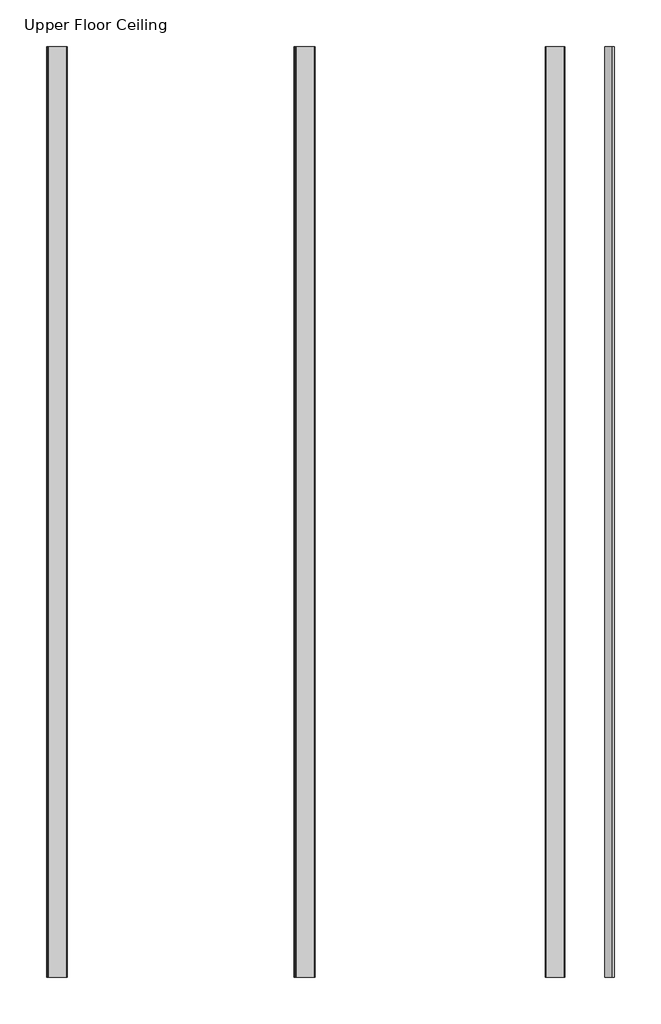
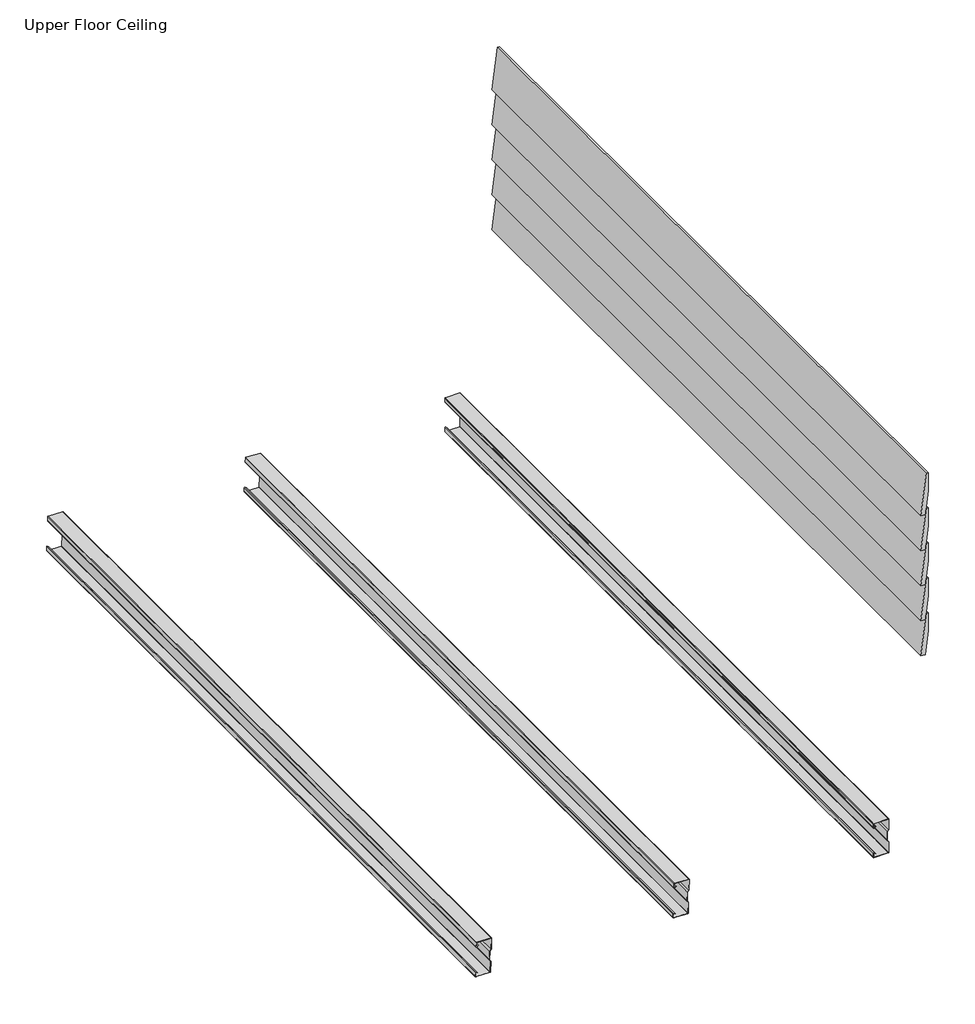
# One storey: 8 beams.
"""IFC4 building model written with IfcOpenShell, lengths in millimetres."""

import ifcopenshell
import ifcopenshell.guid

model = None  # the IFC model being written
_history = None  # IfcOwnerHistory: only IFC2X3 demands one
_inside = {}  # id of a spatial element -> (the spatial element, [elements in it])
_under = {}  # id of a project, library or spatial element -> (it, [spatial elements below it])
_declared = {}  # id of a project -> (the project, [libraries it declares])
_typed = {}  # id of a type object -> (the type object, [elements of that type])
_made_of = {}  # id of a material, layer set ... -> (it, [elements and type objects made of it])


def new_model(schema):
    """Start an empty IFC model of exactly this schema.

    Asked for "IFC4X3", IfcOpenShell would pick the latest addendum, in which some entities
    have other attributes; the version numbers below select the first issue.
    IFC2X3 requires an IfcOwnerHistory on every rooted entity: one is made here for all.
    """
    global model, _history
    if schema == "IFC4X3":
        model = ifcopenshell.file(schema_version=(4, 3, 0, 0))
    else:
        model = ifcopenshell.file(schema=schema)
    _inside.clear()
    _under.clear()
    _declared.clear()
    _typed.clear()
    _made_of.clear()
    _history = None
    if model.schema == "IFC2X3":
        org = make("IfcOrganization", Name="unknown")
        user = make(
            "IfcPersonAndOrganization",
            ThePerson=make("IfcPerson", FamilyName="unknown"),
            TheOrganization=org,
        )
        app = make(
            "IfcApplication",
            ApplicationDeveloper=org,
            Version="unknown",
            ApplicationFullName="unknown",
            ApplicationIdentifier="unknown",
        )
        _history = make(
            "IfcOwnerHistory",
            OwningUser=user,
            OwningApplication=app,
            ChangeAction="ADDED",
            CreationDate=0,
        )
    return model


def make(cls, **values):
    """One entity of the class cls with the attributes given. An attribute that is None is left unset."""
    return model.create_entity(
        cls, **{name: value for name, value in values.items() if value is not None}
    )


def rooted(cls, **values):
    """An entity with a GlobalId (a new one), such as an element, a storey or a relation."""
    return make(cls, GlobalId=ifcopenshell.guid.new(), OwnerHistory=_history, **values)


def si_unit(unit_type, name, prefix=None):
    """IfcSIUnit, for example si_unit("LENGTHUNIT", "METRE", prefix="MILLI")."""
    return make("IfcSIUnit", UnitType=unit_type, Prefix=prefix, Name=name)


def assignment(units):
    """IfcUnitAssignment: the units of a project."""
    return None if units is None else make("IfcUnitAssignment", Units=units)


def point(xyz):
    """IfcCartesianPoint."""
    return None if xyz is None else make("IfcCartesianPoint", Coordinates=xyz)


def direction(xyz):
    """IfcDirection."""
    return None if xyz is None else make("IfcDirection", DirectionRatios=xyz)


def frame(location, z_axis=None, x_axis=None):
    """IfcAxis2Placement3D, a coordinate frame: its origin and axes. An axis left out is left unset."""
    return make(
        "IfcAxis2Placement3D",
        Location=point(location),
        Axis=direction(z_axis),
        RefDirection=direction(x_axis),
    )


def frame_2d(location, x_axis=None):
    """IfcAxis2Placement2D, a coordinate frame in the plane: its origin and x axis."""
    return make(
        "IfcAxis2Placement2D", Location=point(location), RefDirection=direction(x_axis)
    )


def origin():
    """The frame at (0, 0, 0) with its axes left unset."""
    return frame((0.0, 0.0, 0.0))


def place(relative_to, where):
    """IfcLocalPlacement: puts the frame where relative to a parent placement (None: the world)."""
    return make(
        "IfcLocalPlacement", PlacementRelTo=relative_to, RelativePlacement=where
    )


def context(
    kind, dimensions, precision=None, world=None, true_north=None, identifier=None
):
    """IfcGeometricRepresentationContext, for example the 3D "Model" context."""
    return make(
        "IfcGeometricRepresentationContext",
        ContextIdentifier=identifier,
        ContextType=kind,
        CoordinateSpaceDimension=dimensions,
        Precision=precision,
        WorldCoordinateSystem=world,
        TrueNorth=true_north,
    )


def project(units=None, contexts=None):
    """IfcProject with its units and contexts."""
    return rooted(
        "IfcProject",
        Name="project",
        RepresentationContexts=contexts,
        UnitsInContext=assignment(units),
    )


def spatial(cls, under=None, at=None, **own):
    """A site, building, storey or space (cls), placed at a placement, below another one or the project."""
    s = rooted(cls, ObjectPlacement=at, **own)
    if under is not None:
        _under.setdefault(under.id(), (under, []))[1].append(s)
    return s


def polyline(points):
    """IfcPolyline through the points."""
    return make("IfcPolyline", Points=[point(p) for p in points])


def circle_curve(where, radius):
    """IfcCircle in the frame where."""
    return make("IfcCircle", Position=where, Radius=radius)


def trimmed(basis, trim1, trim2, sense, master):
    """IfcTrimmedCurve: the piece of a basis curve between two trims."""
    return make(
        "IfcTrimmedCurve",
        BasisCurve=basis,
        Trim1=trim1,
        Trim2=trim2,
        SenseAgreement=sense,
        MasterRepresentation=master,
    )


def segment(curve, same_sense, transition):
    """IfcCompositeCurveSegment."""
    return make(
        "IfcCompositeCurveSegment",
        Transition=transition,
        SameSense=same_sense,
        ParentCurve=curve,
    )


def composite_curve(segments, self_intersect=None):
    """IfcCompositeCurve: segments joined end to end."""
    return make("IfcCompositeCurve", Segments=segments, SelfIntersect=self_intersect)


def outline(outer, holes=None, kind="AREA"):
    """IfcArbitraryClosedProfileDef: a profile drawn as a closed curve; with holes, ...WithVoids."""
    if holes is None:
        return make("IfcArbitraryClosedProfileDef", ProfileType=kind, OuterCurve=outer)
    return make(
        "IfcArbitraryProfileDefWithVoids",
        ProfileType=kind,
        OuterCurve=outer,
        InnerCurves=holes,
    )


def extrude(swept, where, along, depth):
    """IfcExtrudedAreaSolid: the profile swept, set in the frame where, extruded along a direction by depth."""
    return make(
        "IfcExtrudedAreaSolid",
        SweptArea=swept,
        Position=where,
        ExtrudedDirection=direction(along),
        Depth=depth,
    )


def shape(context_of_items, identifier, shape_type, items):
    """IfcShapeRepresentation: the items that make up one representation, for example the "Body"."""
    return make(
        "IfcShapeRepresentation",
        ContextOfItems=context_of_items,
        RepresentationIdentifier=identifier,
        RepresentationType=shape_type,
        Items=items,
    )


def source(mapping_origin, context_of_items, identifier, shape_type, items):
    """IfcRepresentationMap: a shape defined once, which mapped items show again and again."""
    return make(
        "IfcRepresentationMap",
        MappingOrigin=mapping_origin,
        MappedRepresentation=shape(context_of_items, identifier, shape_type, items),
    )


def transform(
    local_origin,
    x_axis=None,
    y_axis=None,
    z_axis=None,
    scale=None,
    scale2=None,
    scale3=None,
    uniform=True,
):
    """IfcCartesianTransformationOperator3D, or its non-uniform kind. x_axis, y_axis, z_axis: its Axis1, 2, 3."""
    if uniform:
        return make(
            "IfcCartesianTransformationOperator3D",
            Axis1=direction(x_axis),
            Axis2=direction(y_axis),
            LocalOrigin=point(local_origin),
            Scale=scale,
            Axis3=direction(z_axis),
        )
    return make(
        "IfcCartesianTransformationOperator3DnonUniform",
        Axis1=direction(x_axis),
        Axis2=direction(y_axis),
        LocalOrigin=point(local_origin),
        Scale=scale,
        Axis3=direction(z_axis),
        Scale2=scale2,
        Scale3=scale3,
    )


def mapped(mapping_source, mapping_target):
    """IfcMappedItem: shows the shape of a source again, moved by a transform."""
    return make(
        "IfcMappedItem", MappingSource=mapping_source, MappingTarget=mapping_target
    )


def made_of(thing, what):
    """Note that an element or type object is made of a material, layer set ...; save() writes the relation."""
    if what is not None:
        _made_of.setdefault(what.id(), (what, []))[1].append(thing)
    return thing


def element(
    cls,
    number,
    at=None,
    inside=None,
    cuts=None,
    type_object=None,
    material=None,
    context=None,
    identifier="Body",
    shape_type=None,
    held_by="IfcProductDefinitionShape",
    body=None,
    shapes=None,
    **own,
):
    """One element of the class cls, such as IfcWall. Its Tag is "e" and its number.

    at: its placement. inside: the storey or other place that contains it. cuts: it is an
    opening in that element (IfcRelVoidsElement). A single representation is given by context,
    identifier, shape_type and body (its items); several are given by shapes. held_by: the class
    of the entity that holds the representations. save() writes the other relations.
    """
    e = rooted(cls, Tag="e%d" % number, ObjectPlacement=at, **own)
    if body is not None:
        shapes = [shape(context, identifier, shape_type, body)]
    if shapes is not None:
        e.Representation = make(held_by, Representations=shapes)
    if inside is not None:
        _inside.setdefault(inside.id(), (inside, []))[1].append(e)
    if cuts is not None:
        rooted(
            "IfcRelVoidsElement", RelatingBuildingElement=cuts, RelatedOpeningElement=e
        )
    if type_object is not None:
        _typed.setdefault(type_object.id(), (type_object, []))[1].append(e)
    return made_of(e, material)


def aggregate(whole, parts):
    """IfcRelAggregates: a whole, such as a stair, and the parts it consists of."""
    return rooted("IfcRelAggregates", RelatingObject=whole, RelatedObjects=parts)


def save(model, path):
    """Write the relations noted so far, then the file.

    IfcRelAggregates (storeys below a building ...), IfcRelContainedInSpatialStructure (elements
    in a storey), IfcRelDefinesByType, IfcRelAssociatesMaterial and IfcRelDeclares: one each for
    every whole, place, type object, material and project.
    """
    for whole, parts in _under.values():
        aggregate(whole, parts)
    for where, things in _inside.values():
        rooted(
            "IfcRelContainedInSpatialStructure",
            RelatedElements=things,
            RelatingStructure=where,
        )
    for kind, things in _typed.values():
        rooted("IfcRelDefinesByType", RelatedObjects=things, RelatingType=kind)
    for what, things in _made_of.values():
        rooted("IfcRelAssociatesMaterial", RelatedObjects=things, RelatingMaterial=what)
    for by, libraries in _declared.values():
        rooted("IfcRelDeclares", RelatingContext=by, RelatedDefinitions=libraries)
    model.write(path)


def beam_5568a965(model_context):
    return source(origin(), model_context, "Body", "SweptSolid", [
        extrude(outline(polyline([(0.0, -9.143159), (1.1226388, 0.0), (79.0749747, 0.0), (180.9387048, -12.5072934), (178.6231873, -31.3656703), (0.0, -9.143159)])), frame((-1545.0, 0.0, 0.0), z_axis=(1.0, 0.0, 0.0), x_axis=(0.0, 1.0, 0.0)), (0.0, 0.0, 1.0), 3090.0),
    ])


def purlin1_purlin_2_c59bf742(model_context):
    return source(origin(), model_context, "Body", "SweptSolid", [
        extrude(outline(composite_curve([segment(polyline([(30.5, -75.0), (-30.5, -75.0)]), True, "CONTINUOUS"), segment(trimmed(circle_curve(frame_2d((-30.5, -73.5)), 1.5), [point((-30.5, -75.0))], [point((-32.0, -73.5))], False, "CARTESIAN"), True, "CONTINUOUS"), segment(polyline([(-32.0, -73.5), (-32.0, -55.5689158)]), True, "CONTINUOUS"), segment(trimmed(circle_curve(frame_2d((-30.5, -55.5689158)), 1.5), [point((-32.0, -55.5689158))], [point((-29.6183221, -54.3553903))], False, "CARTESIAN"), True, "CONTINUOUS"), segment(polyline([(-29.6183221, -54.3553903), (-22.7008639, -59.3812179), (-23.2886491, -60.1902349), (-30.2061074, -55.1644073)]), True, "CONTINUOUS"), segment(trimmed(circle_curve(frame_2d((-30.5, -55.5689158)), 0.5), [point((-30.2061074, -55.1644073))], [point((-31.0, -55.5689158))], True, "CARTESIAN"), True, "CONTINUOUS"), segment(polyline([(-31.0, -55.5689158), (-31.0, -73.0)]), True, "CONTINUOUS"), segment(trimmed(circle_curve(frame_2d((-30.0, -73.0)), 1.0), [point((-31.0, -73.0))], [point((-30.0, -74.0))], True, "CARTESIAN"), True, "CONTINUOUS"), segment(polyline([(-30.0, -74.0), (30.0, -74.0)]), True, "CONTINUOUS"), segment(trimmed(circle_curve(frame_2d((30.0, -73.0)), 1.0), [point((30.0, -74.0))], [point((31.0, -73.0))], True, "CARTESIAN"), True, "CONTINUOUS"), segment(polyline([(31.0, -73.0), (31.0, -26.8252474), (25.375, -18.9502474), (25.375, 18.7314974), (31.0, 26.3252474), (31.0, 73.0)]), True, "CONTINUOUS"), segment(trimmed(circle_curve(frame_2d((30.0, 73.0)), 1.0), [point((31.0, 73.0))], [point((30.0, 74.0))], True, "CARTESIAN"), True, "CONTINUOUS"), segment(polyline([(30.0, 74.0), (-30.0, 74.0)]), True, "CONTINUOUS"), segment(trimmed(circle_curve(frame_2d((-30.0, 73.0)), 1.0), [point((-30.0, 74.0))], [point((-31.0, 73.0))], True, "CARTESIAN"), True, "CONTINUOUS"), segment(polyline([(-31.0, 73.0), (-31.0, 55.5689158)]), True, "CONTINUOUS"), segment(trimmed(circle_curve(frame_2d((-30.5, 55.5689158)), 0.5), [point((-31.0, 55.5689158))], [point((-30.2061074, 55.1644073))], True, "CARTESIAN"), True, "CONTINUOUS"), segment(polyline([(-30.2061074, 55.1644073), (-23.2886491, 60.1902349), (-22.7008639, 59.3812179), (-29.6183221, 54.3553903)]), True, "CONTINUOUS"), segment(trimmed(circle_curve(frame_2d((-30.5, 55.5689158)), 1.5), [point((-29.6183221, 54.3553903))], [point((-32.0, 55.5689158))], False, "CARTESIAN"), True, "CONTINUOUS"), segment(polyline([(-32.0, 55.5689158), (-32.0, 73.5)]), True, "CONTINUOUS"), segment(trimmed(circle_curve(frame_2d((-30.5, 73.5)), 1.5), [point((-32.0, 73.5))], [point((-30.5, 75.0))], False, "CARTESIAN"), True, "CONTINUOUS"), segment(polyline([(-30.5, 75.0), (30.5, 75.0)]), True, "CONTINUOUS"), segment(trimmed(circle_curve(frame_2d((30.5, 73.5)), 1.5), [point((30.5, 75.0))], [point((32.0, 73.5))], False, "CARTESIAN"), True, "CONTINUOUS"), segment(polyline([(32.0, 73.5), (32.0, 25.9952176), (26.375, 18.4014676), (26.375, -18.6297824), (32.0, -26.5047824), (32.0, -73.5)]), True, "CONTINUOUS"), segment(trimmed(circle_curve(frame_2d((30.5, -73.5)), 1.5), [point((32.0, -73.5))], [point((30.5, -75.0))], False, "CARTESIAN"), True, "CONTINUOUS")], self_intersect=False)), frame((-1545.0, 0.0, 0.0), z_axis=(1.0, 0.0, 0.0), x_axis=(0.0, 1.0, 0.0)), (0.0, 0.0, 1.0), 3090.0),
    ])


model = new_model("IFC4")

# Units and contexts
model_context = context("Model", 3, world=origin())
ifc_project = project(units=[si_unit("LENGTHUNIT", "METRE", prefix="MILLI")], contexts=[model_context])

# Site, building, storey
site = spatial("IfcSite", under=ifc_project)
building = spatial("IfcBuilding", under=site)
storey = spatial("IfcBuildingStorey", under=building, Name="Upper Floor Ceiling", Elevation=5105.0)

# Beams
placement = place(None, origin())
beam_shape = beam_5568a965(model_context)
element("IfcBeam", 1, at=placement, inside=storey, context=model_context, shape_type="MappedRepresentation", body=[
    mapped(beam_shape, transform((-1166.8526278, -3001.9083503, 4680.7759782), x_axis=(0.0, -1.0000000000000002, 0.0), y_axis=(0.0, 0.0, -1.0000000000000002), z_axis=(1.0000000000000002, 0.0, 0.0))),
])
element("IfcBeam", 2, at=placement, inside=storey, context=model_context, shape_type="MappedRepresentation", body=[
    mapped(beam_shape, transform((-1166.8526278, -3001.9083503, 4834.6739763), x_axis=(0.0, -1.0000000000000002, 0.0), y_axis=(0.0, 0.0, -1.0000000000000002), z_axis=(1.0000000000000002, 0.0, 0.0))),
])
element("IfcBeam", 3, at=placement, inside=storey, context=model_context, shape_type="MappedRepresentation", body=[
    mapped(beam_shape, transform((-1166.8526278, -3001.9083503, 4988.5719745), x_axis=(0.0, -1.0000000000000002, 0.0), y_axis=(0.0, 0.0, -1.0000000000000002), z_axis=(1.0000000000000002, 0.0, 0.0))),
])
element("IfcBeam", 4, at=placement, inside=storey, context=model_context, shape_type="MappedRepresentation", body=[
    mapped(beam_shape, transform((-1166.8526278, -3001.9083503, 5142.4699727), x_axis=(0.0, -1.0000000000000002, 0.0), y_axis=(0.0, 0.0, -1.0000000000000002), z_axis=(1.0000000000000002, 0.0, 0.0))),
])
element("IfcBeam", 5, at=placement, inside=storey, context=model_context, shape_type="MappedRepresentation", body=[
    mapped(beam_shape, transform((-1166.8526278, -3001.9083503, 5296.3679709), x_axis=(0.0, -1.0000000000000002, 0.0), y_axis=(0.0, 0.0, -1.0000000000000002), z_axis=(1.0000000000000002, 0.0, 0.0))),
])
purlin1_purlin_2_shape = purlin1_purlin_2_c59bf742(model_context)
element("IfcBeam", 6, ObjectType="Purlin1 : Purlin 2", at=placement, inside=storey, context=model_context, shape_type="MappedRepresentation", body=[
    mapped(purlin1_purlin_2_shape, transform((-1363.2862215, -3002.6812108, 3757.0), x_axis=(0.0, -1.0, 0.0), y_axis=(1.0, 0.0, 0.0), z_axis=(0.0, 0.0, 1.0))),
])
element("IfcBeam", 7, ObjectType="Purlin1 : Purlin 2", at=placement, inside=storey, context=model_context, shape_type="MappedRepresentation", body=[
    mapped(purlin1_purlin_2_shape, transform((-2196.1729433, -3002.6812108, 3783.8367328), x_axis=(0.0, -1.0, 0.0), y_axis=(0.9993908270190958, 0.0, -0.034899496702500934), z_axis=(0.034899496702500934, 0.0, 0.9993908270190958))),
])
element("IfcBeam", 8, ObjectType="Purlin1 : Purlin 2", at=placement, inside=storey, context=model_context, shape_type="MappedRepresentation", body=[
    mapped(purlin1_purlin_2_shape, transform((-3019.1216031, -3002.6812108, 3812.6065155), x_axis=(0.0, -1.0, 0.0), y_axis=(0.9993908270190958, 0.0, -0.034899496702500934), z_axis=(0.034899496702500934, 0.0, 0.9993908270190958))),
])

save(model, "model.ifc")
